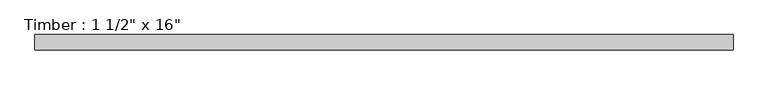
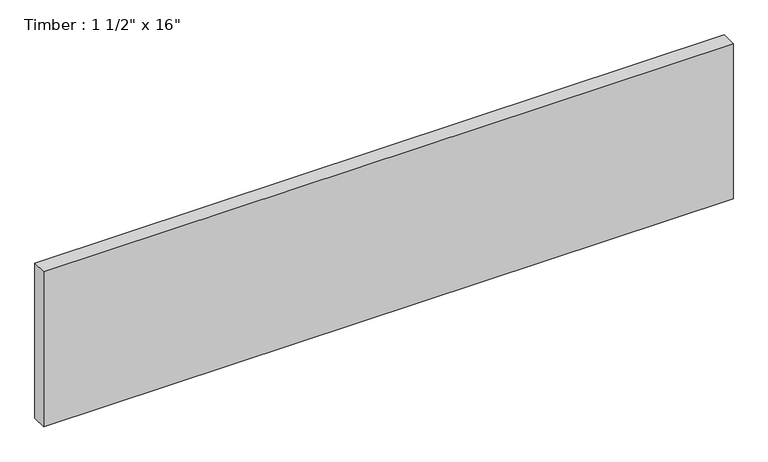
"""IFC4 building model written with IfcOpenShell, lengths in millimetres: beam geometry."""

from ifc_helpers import new_model, si_unit, frame, origin, place, context, project, spatial, polyline, outline, extrude, source, transform, mapped, element, save


def beam_8757c6d4(model_context):
    return source(origin(), model_context, "Body", "SweptSolid", [
        extrude(outline(polyline([(854.86875, 19.05), (854.86875, -19.05), (-854.86875, -19.05), (-854.86875, 19.05), (854.86875, 19.05)])), frame((0.0, 0.0, -203.2), z_axis=(0.0, 0.0, 1.0), x_axis=(1.0, 0.0, 0.0)), (0.0, 0.0, 1.0), 406.4),
    ])


if __name__ == "__main__":
    model = new_model("IFC4")
    model_context = context("Model", 3, world=origin())
    ifc_project = project(units=[si_unit("LENGTHUNIT", "METRE", prefix="MILLI")], contexts=[model_context])
    site = spatial("IfcSite", under=ifc_project)
    building = spatial("IfcBuilding", under=site)
    placement = place(None, origin())
    beam_shape = beam_8757c6d4(model_context)
    element("IfcBeam", 1, ObjectType="Timber : 1 1/2\" x 16\"", at=placement, inside=building, context=model_context, shape_type="MappedRepresentation", body=[
        mapped(beam_shape, transform((0.0, 0.0, 0.0), x_axis=(1.0, 0.0, 0.0), y_axis=(0.0, 1.0, 0.0), z_axis=(0.0, 0.0, 1.0))),
    ])
    save(model, "model.ifc")
